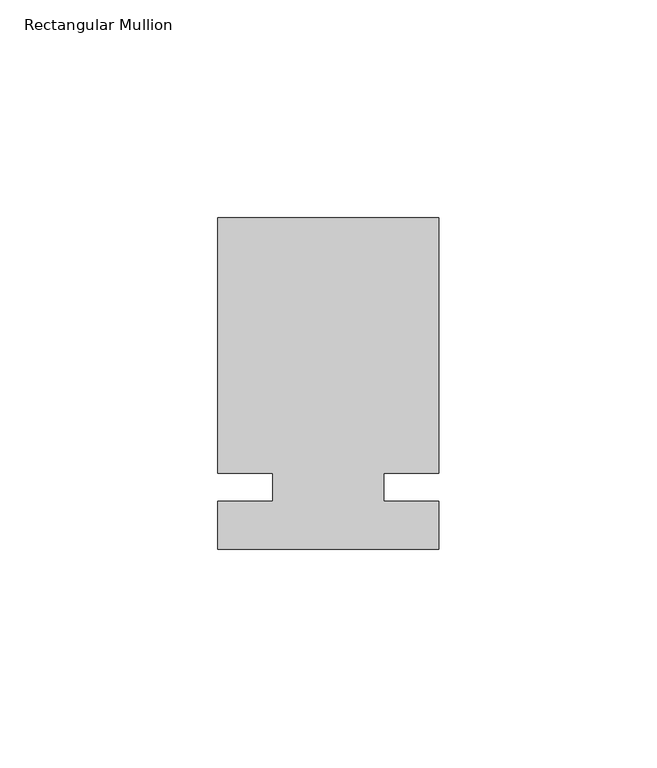
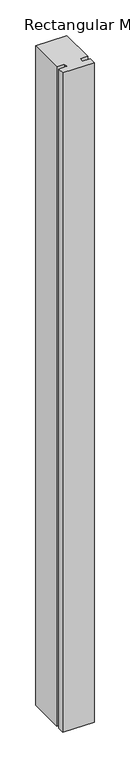
"""IFC4 building model written with IfcOpenShell, lengths in millimetres: member geometry, Rectangular Mullion."""

from ifc_helpers import new_model, si_unit, frame, origin, place, context, project, spatial, polyline, outline, extrude, source, transform, mapped, element, save


def rectangular_mullion_96d84f3b(model_context):
    return source(origin(), model_context, "Body", "SweptSolid", [
        extrude(outline(polyline([(29.7344027, 61.9125), (29.7344027, 3.175), (17.0326322, 3.175), (17.0326322, -3.175), (29.7344027, -3.175), (29.7344027, -14.2875), (-21.0655973, -14.2875), (-21.0655973, -3.175), (-8.3655973, -3.175), (-8.3655973, 3.175), (-21.0655973, 3.175), (-21.0655973, 61.9125), (29.7344027, 61.9125)])), frame((0.0, 0.0, -1130.3), z_axis=(0.0, 0.0, 1.0), x_axis=(1.0, 0.0, 0.0)), (0.0, 0.0, 1.0), 1130.3),
    ])


if __name__ == "__main__":
    model = new_model("IFC4")
    model_context = context("Model", 3, world=origin())
    ifc_project = project(units=[si_unit("LENGTHUNIT", "METRE", prefix="MILLI")], contexts=[model_context])
    site = spatial("IfcSite", under=ifc_project)
    building = spatial("IfcBuilding", under=site)
    placement = place(None, origin())
    rectangular_mullion_shape = rectangular_mullion_96d84f3b(model_context)
    element("IfcMember", 1, ObjectType="Rectangular Mullion", at=placement, inside=building, context=model_context, shape_type="MappedRepresentation", body=[
        mapped(rectangular_mullion_shape, transform((0.0, 0.0, 0.0), x_axis=(1.0, 0.0, 0.0), y_axis=(0.0, 1.0, 0.0), z_axis=(0.0, 0.0, 1.0))),
    ])
    save(model, "model.ifc")
